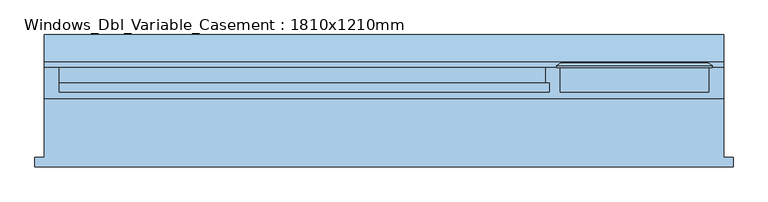
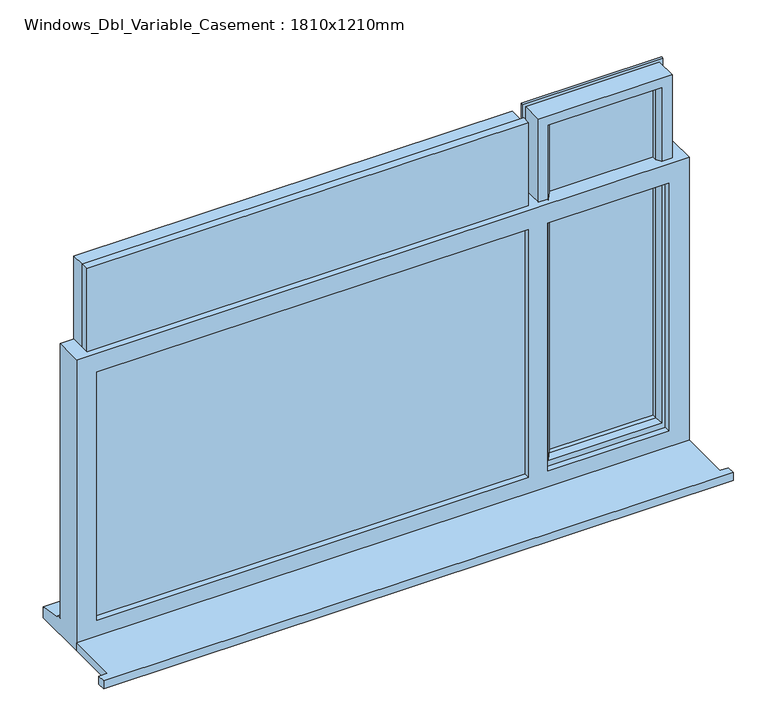
"""IFC4 building model written with IfcOpenShell, lengths in millimetres: window geometry, Windows_Dbl_Variable_Casement : 1810x1210mm."""

from ifc_helpers import new_model, si_unit, frame, origin, place, context, project, spatial, polyline, outline, extrude, faceted_brep, source, transform, mapped, element, save


def windows_dbl_variable_casement_1810x1210mm_cad0e0ad(model_context):
    return source(origin(), model_context, "Body", "SolidModel", [
        extrude(outline(polyline([(-1215.0, -161.5434322), (-1215.0, -136.5434322), (-1190.0, -136.5434322), (-1190.0, 20.4565678), (620.0, 20.4565678), (620.0, -136.5434322), (645.0, -136.5434322), (645.0, -161.5434322), (-1215.0, -161.5434322)])), frame((0.0, 0.0, 900.0), z_axis=(0.0, 0.0, 1.0), x_axis=(1.0, 0.0, 0.0)), (0.0, 0.0, 1.0), 25.0),
        extrude(outline(polyline([(550.0, 67.4565678), (215.0, 67.4565678), (215.0, 91.4565678), (550.0, 91.4565678), (550.0, 67.4565678)])), frame((0.0, 0.0, 993.0), z_axis=(0.0, 0.0, 1.0), x_axis=(1.0, 0.0, 0.0)), (0.0, 0.0, 1.0), 1047.0),
        extrude(outline(polyline([(-1150.0, 62.4565678), (155.0, 62.4565678), (155.0, 38.4565678), (-1150.0, 38.4565678), (-1150.0, 62.4565678)])), frame((0.0, 0.0, 963.0), z_axis=(0.0, 0.0, 1.0), x_axis=(1.0, 0.0, 0.0)), (0.0, 0.0, 1.0), 1107.0),
        faceted_brep([(620.0, 20.4565678, 1810.0), (-1190.0, 20.4565678, 1810.0), (-1190.0, 20.4565678, 900.0), (620.0, 20.4565678, 900.0), (560.0, 20.4565678, 1750.0), (560.0, 20.4565678, 975.0), (203.0, 20.4565678, 975.0), (203.0, 20.4565678, 1750.0), (145.0, 20.4565678, 1750.0), (145.0, 20.4565678, 975.0), (-1130.0, 20.4565678, 975.0), (-1130.0, 20.4565678, 1750.0), (-1190.0, 103.4565678, 1810.0), (-1190.0, 103.4565678, 951.0), (-1190.0, 118.4565678, 949.68767), (-1190.0, 118.4565678, 944.7449676), (-1190.0, 190.9565678, 933.8088847), (-1190.0, 190.9565678, 900.0), (620.0, 103.4565678, 1810.0), (620.0, 103.4565678, 951.0), (-1150.0, 103.4565678, 1770.0), (-1150.0, 103.4565678, 963.0), (145.0, 103.4565678, 963.0), (145.0, 103.4565678, 1770.0), (185.0, 103.4565678, 1770.0), (185.0, 103.4565678, 963.0), (580.0, 103.4565678, 963.0), (580.0, 103.4565678, 1770.0), (-1150.0, 38.4565678, 1770.0), (-1150.0, 38.4565678, 963.0), (155.0, 38.4565678, 1770.0), (155.0, 38.4565678, 963.0), (145.0, 38.4565678, 1750.0), (-1130.0, 38.4565678, 1750.0), (-1130.0, 38.4565678, 975.0), (145.0, 38.4565678, 975.0), (185.0, 38.4565678, 1770.0), (580.0, 38.4565678, 1770.0), (580.0, 38.4565678, 963.0), (185.0, 38.4565678, 963.0), (560.0, 38.4565678, 1750.0), (203.0, 38.4565678, 1750.0), (203.0, 38.4565678, 975.0), (560.0, 38.4565678, 975.0), (145.0, 62.4565678, 1770.0), (155.0, 62.4565678, 1770.0), (620.0, 190.9565678, 900.0), (620.0, 190.9565678, 933.8088847), (620.0, 118.4565678, 944.7449676), (620.0, 118.4565678, 949.68767), (155.0, 62.4565678, 963.0), (145.0, 62.4565678, 963.0)], [[[0, 1, 2, 3], [4, 5, 6, 7], [8, 9, 10, 11]], [[2, 1, 12, 13, 14, 15, 16, 17]], [[13, 12, 18, 19], [20, 21, 22, 23], [24, 25, 26, 27]], [[21, 20, 28, 29]], [[28, 30, 31, 29], [32, 33, 34, 35]], [[36, 37, 38, 39], [40, 41, 42, 43]], [[33, 11, 10, 34]], [[1, 0, 18, 12]], [[28, 20, 23, 44, 45, 30]], [[27, 37, 36, 24]], [[11, 33, 32, 8]], [[40, 4, 7, 41]], [[19, 18, 0, 3, 46, 47, 48, 49]], [[27, 26, 38, 37]], [[4, 40, 43, 5]], [[45, 50, 31, 30]], [[50, 45, 44, 51]], [[51, 44, 23, 22]], [[25, 24, 36, 39]], [[41, 7, 6, 42]], [[8, 32, 35, 9]], [[46, 3, 2, 17]], [[47, 46, 17, 16]], [[48, 47, 16, 15]], [[49, 48, 15, 14]], [[19, 49, 14, 13]], [[22, 21, 29, 31, 50, 51]], [[26, 25, 39, 38]], [[6, 5, 43, 42]], [[35, 34, 10, 9]]]),
        extrude(outline(polyline([(2050.0, 145.0), (2070.0, 145.0), (2070.0, -1150.0), (963.0, -1150.0), (963.0, 145.0), (983.0, 145.0), (983.0, -1130.0), (2050.0, -1130.0), (2050.0, 145.0)])), frame((0.0, 62.4565678, 0.0), z_axis=(0.0, 1.0, 0.0), x_axis=(0.0, 0.0, 1.0)), (0.0, 0.0, 1.0), 41.0),
        faceted_brep([(175.0, 103.4565678, 2080.0), (175.0, 109.2300705, 2080.0), (175.0, 109.2300705, 953.0), (175.0, 103.4565678, 953.0), (185.0, 38.4565678, 2070.0), (185.0, 103.4565678, 2070.0), (185.0, 103.4565678, 963.0), (185.0, 38.4565678, 963.0), (225.0, 52.9494677, 2030.0), (214.8519623, 38.4565678, 2040.1480377), (214.8519623, 38.4565678, 992.8519623), (225.0, 52.9494677, 1003.0), (225.0, 67.4565678, 2030.0), (225.0, 67.4565678, 1003.0), (215.0, 91.4565678, 2040.0), (215.0, 67.4565678, 2040.0), (215.0, 67.4565678, 993.0), (215.0, 91.4565678, 993.0), (225.0, 109.2300705, 2030.0), (225.0, 91.4565678, 2030.0), (225.0, 91.4565678, 1003.0), (225.0, 109.2300705, 1003.0), (207.5542452, 115.0035732, 2047.4457548), (207.5542452, 115.0035732, 985.5542452), (185.7846097, 115.0035732, 2069.2153903), (185.7846097, 115.0035732, 963.7846097), (590.0, 109.2300705, 953.0), (590.0, 103.4565678, 953.0), (580.0, 103.4565678, 963.0), (580.0, 38.4565678, 963.0), (550.1480377, 38.4565678, 992.8519623), (540.0, 52.9494677, 1003.0), (540.0, 67.4565678, 1003.0), (550.0, 67.4565678, 993.0), (550.0, 91.4565678, 993.0), (540.0, 91.4565678, 1003.0), (540.0, 109.2300705, 1003.0), (557.4457548, 115.0035732, 985.5542452), (579.2153903, 115.0035732, 963.7846097), (590.0, 109.2300705, 2080.0), (590.0, 103.4565678, 2080.0), (580.0, 103.4565678, 2070.0), (580.0, 38.4565678, 2070.0), (550.1480377, 38.4565678, 2040.1480377), (540.0, 52.9494677, 2030.0), (540.0, 67.4565678, 2030.0), (550.0, 67.4565678, 2040.0), (550.0, 91.4565678, 2040.0), (540.0, 91.4565678, 2030.0), (540.0, 109.2300705, 2030.0), (557.4457548, 115.0035732, 2047.4457548), (579.2153903, 115.0035732, 2069.2153903)], [[[0, 1, 2, 3]], [[4, 5, 6, 7]], [[8, 9, 10, 11]], [[12, 8, 11, 13]], [[14, 15, 16, 17]], [[18, 19, 20, 21]], [[22, 18, 21, 23]], [[1, 24, 25, 2]], [[3, 2, 26, 27]], [[7, 6, 28, 29]], [[11, 10, 30, 31]], [[13, 11, 31, 32]], [[17, 16, 33, 34]], [[21, 20, 35, 36]], [[23, 21, 36, 37]], [[2, 25, 38, 26]], [[27, 26, 39, 40]], [[29, 28, 41, 42]], [[31, 30, 43, 44]], [[32, 31, 44, 45]], [[34, 33, 46, 47]], [[36, 35, 48, 49]], [[37, 36, 49, 50]], [[26, 38, 51, 39]], [[40, 39, 1, 0]], [[3, 27, 40, 0], [5, 41, 28, 6]], [[42, 41, 5, 4]], [[7, 29, 42, 4], [9, 43, 30, 10]], [[44, 43, 9, 8]], [[45, 44, 8, 12]], [[15, 46, 33, 16], [13, 32, 45, 12]], [[47, 46, 15, 14]], [[17, 34, 47, 14], [19, 48, 35, 20]], [[49, 48, 19, 18]], [[50, 49, 18, 22]], [[24, 51, 38, 25], [23, 37, 50, 22]], [[39, 51, 24, 1]]]),
    ])


if __name__ == "__main__":
    model = new_model("IFC4")
    model_context = context("Model", 3, world=origin())
    ifc_project = project(units=[si_unit("LENGTHUNIT", "METRE", prefix="MILLI")], contexts=[model_context])
    site = spatial("IfcSite", under=ifc_project)
    building = spatial("IfcBuilding", under=site)
    placement = place(None, origin())
    windows_dbl_variable_casement_1810x1210mm_shape = windows_dbl_variable_casement_1810x1210mm_cad0e0ad(model_context)
    element("IfcWindow", 1, ObjectType="Windows_Dbl_Variable_Casement : 1810x1210mm", at=placement, inside=building, context=model_context, shape_type="MappedRepresentation", body=[
        mapped(windows_dbl_variable_casement_1810x1210mm_shape, transform((0.0, 0.0, 0.0), x_axis=(1.0, 0.0, 0.0), y_axis=(0.0, 1.0, 0.0), z_axis=(0.0, 0.0, 1.0))),
    ])
    save(model, "model.ifc")
